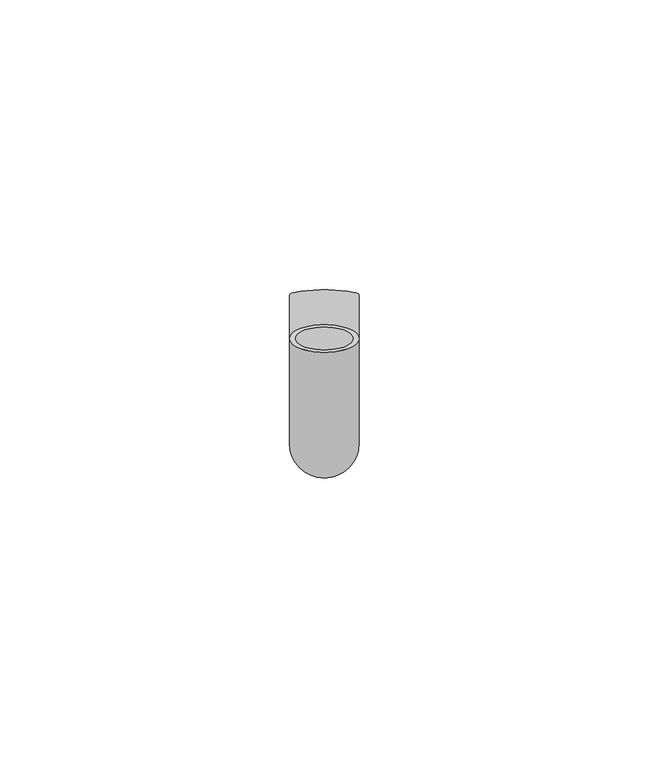
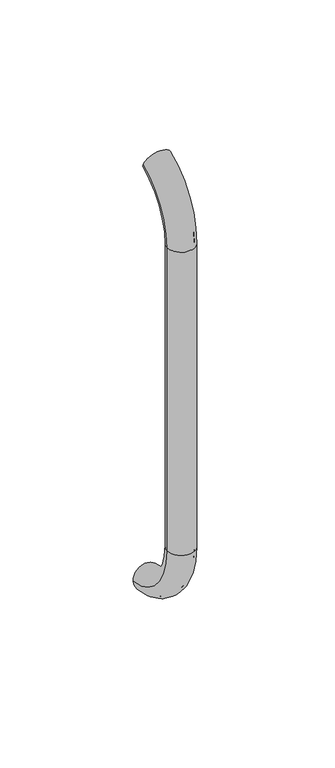
"""IFC4 building model written with IfcOpenShell, lengths in millimetres: beam geometry."""

from ifc_helpers import new_model, si_unit, point, frame, origin, place, context, project, spatial, polyline, circle_curve, ellipse_curve, trimmed, source, transform, mapped, element, save
from ifc_brep_helpers import plane_surface, cylinder_surface, revolved_surface, advanced_brep


def beam_b758dda2(model_context):
    return source(origin(), model_context, "Body", "AdvancedBrep", [
        advanced_brep(
        [(3461.4386176, 2444.0395554, 1993.7787656), (3473.4386176, 2444.0395554, 1993.7787656), (3462.4386176, 2444.0395554, 1993.7787656), (3472.4386176, 2444.0395554, 1993.7787656), (3472.4386176, 2425.9629385, 1966.25), (3462.4386176, 2425.9629385, 1966.25), (3473.4386176, 2425.9629385, 1966.25), (3461.4386176, 2425.9629385, 1966.25), (3462.4386176, 2425.9629385, 1826.25), (3472.4386176, 2425.9629385, 1826.25), (3461.4386176, 2425.9629385, 1826.25), (3473.4386176, 2425.9629385, 1826.25), (3461.4386176, 2451.5825147, 1796.5715249), (3473.4386176, 2451.5825147, 1796.5715249), (3462.4386176, 2451.5825147, 1796.5715249), (3472.4386176, 2451.5825147, 1796.5715249)],
        [
            (0, 1, circle_curve(frame((3467.4386176, 2444.0395554, 1993.7787656), z_axis=(0.0, 0.9176255197351176, 0.3974461039321624), x_axis=(1.0, 0.0, 0.0)), 6.0)),
            (1, 0, circle_curve(frame((3467.4386176, 2444.0395554, 1993.7787656), z_axis=(0.0, 0.9176255197351176, 0.3974461039321624), x_axis=(1.0, 0.0, 0.0)), 6.0)),
            (2, 3, circle_curve(frame((3467.4386176, 2444.0395554, 1993.7787656), z_axis=(0.0, -0.9176255197351176, -0.3974461039321624), x_axis=(1.0, 0.0, 0.0)), 5.0)),
            (3, 2, circle_curve(frame((3467.4386176, 2444.0395554, 1993.7787656), z_axis=(0.0, -0.9176255197351176, -0.3974461039321624), x_axis=(1.0, 0.0, 0.0)), 5.0)),
            (4, 3, circle_curve(frame((3472.4386176, 2455.9629385, 1966.25), z_axis=(-1.0, 0.0, 0.0), x_axis=(0.0, -0.3974461039321624, 0.9176255197351176)), 30.0)),
            (2, 5, circle_curve(frame((3462.4386176, 2455.9629385, 1966.25), z_axis=(1.0, 0.0, 0.0), x_axis=(0.0, -0.3974461039321624, 0.9176255197351176)), 30.0)),
            (5, 4, circle_curve(frame((3467.4386176, 2425.9629385, 1966.25), z_axis=(0.0, 0.0, -0.9999999999999999), x_axis=(1.0, 0.0, 0.0)), 5.0)),
            (4, 5, circle_curve(frame((3467.4386176, 2425.9629385, 1966.25), z_axis=(0.0, 0.0, -0.9999999999999999), x_axis=(1.0, 0.0, 0.0)), 5.0)),
            (6, 1, circle_curve(frame((3473.4386176, 2455.9629385, 1966.25), z_axis=(-1.0, 0.0, 0.0), x_axis=(0.0, -0.3974461039321624, 0.9176255197351176)), 30.0)),
            (0, 7, circle_curve(frame((3461.4386176, 2455.9629385, 1966.25), z_axis=(1.0, 0.0, 0.0), x_axis=(0.0, -0.3974461039321624, 0.9176255197351176)), 30.0)),
            (7, 6, circle_curve(frame((3467.4386176, 2425.9629385, 1966.25), z_axis=(0.0, 0.0, 0.9999999999999999), x_axis=(1.0, 0.0, 0.0)), 6.0)),
            (6, 7, circle_curve(frame((3467.4386176, 2425.9629385, 1966.25), z_axis=(0.0, 0.0, 0.9999999999999999), x_axis=(1.0, 0.0, 0.0)), 6.0)),
            (5, 8),
            (8, 9, circle_curve(frame((3467.4386176, 2425.9629385, 1826.25), z_axis=(0.0, 0.0, -1.0), x_axis=(1.0, 0.0, 0.0)), 5.0)),
            (9, 4),
            (9, 8, circle_curve(frame((3467.4386176, 2425.9629385, 1826.25), z_axis=(0.0, 0.0, -1.0), x_axis=(1.0, 0.0, 0.0)), 5.0)),
            (7, 10),
            (10, 11, circle_curve(frame((3467.4386176, 2425.9629385, 1826.25), z_axis=(0.0, 0.0, 1.0), x_axis=(1.0, 0.0, 0.0)), 6.0)),
            (11, 6),
            (11, 10, circle_curve(frame((3467.4386176, 2425.9629385, 1826.25), z_axis=(0.0, 0.0, 1.0), x_axis=(1.0, 0.0, 0.0)), 6.0)),
            (12, 13, circle_curve(frame((3467.4386176, 2451.5825147, 1796.5715249), z_axis=(0.0, 0.9892825047438852, -0.14601412879466394), x_axis=(1.0, 0.0, 0.0)), 6.0)),
            (13, 12, circle_curve(frame((3467.4386176, 2451.5825147, 1796.5715249), z_axis=(0.0, 0.9892825047438852, -0.14601412879466394), x_axis=(1.0, 0.0, 0.0)), 6.0)),
            (14, 15, circle_curve(frame((3467.4386176, 2451.5825147, 1796.5715249), z_axis=(0.0, -0.9892825047438852, 0.14601412879466394), x_axis=(1.0, 0.0, 0.0)), 5.0)),
            (15, 14, circle_curve(frame((3467.4386176, 2451.5825147, 1796.5715249), z_axis=(0.0, -0.9892825047438852, 0.14601412879466394), x_axis=(1.0, 0.0, 0.0)), 5.0)),
            (15, 9, circle_curve(frame((3472.4386176, 2455.9629385, 1826.25), z_axis=(-1.0, 0.0, 0.0), x_axis=(0.0, -1.0, 0.0)), 30.0)),
            (8, 14, circle_curve(frame((3462.4386176, 2455.9629385, 1826.25), z_axis=(1.0, 0.0, 0.0), x_axis=(0.0, -1.0, 0.0)), 30.0)),
            (13, 11, circle_curve(frame((3473.4386176, 2455.9629385, 1826.25), z_axis=(-1.0, 0.0, 0.0), x_axis=(0.0, -1.0, 0.0)), 30.0)),
            (10, 12, circle_curve(frame((3461.4386176, 2455.9629385, 1826.25), z_axis=(1.0, 0.0, 0.0), x_axis=(0.0, -1.0, 0.0)), 30.0)),
        ],
        [
            plane_surface(frame((3467.4386176, 2444.0395554, 1993.7787656), z_axis=(0.0, 0.9176255197351176, 0.3974461039321624), x_axis=(1.0, 0.0, 0.0))),
            revolved_surface(trimmed(ellipse_curve(frame((3467.4386176, 2444.0395554, 1993.7787656), z_axis=(0.0, -0.9176255197351176, -0.3974461039321624), x_axis=(1.0, 0.0, 0.0)), 5.0, 5.0), [point((3462.4386176, 2444.0395554, 1993.7787656))], [point((3472.4386176, 2444.0395554, 1993.7787656))], True, "CARTESIAN"), (3467.4386176, 2455.9629385, 1966.25), (1.0, 0.0, 0.0)),
            revolved_surface(trimmed(ellipse_curve(frame((3467.4386176, 2444.0395554, 1993.7787656), z_axis=(0.0, -0.9176255197351176, -0.3974461039321624), x_axis=(1.0, 0.0, 0.0)), 5.0, 5.0), [point((3472.4386176, 2444.0395554, 1993.7787656))], [point((3462.4386176, 2444.0395554, 1993.7787656))], True, "CARTESIAN"), (3467.4386176, 2455.9629385, 1966.25), (1.0, 0.0, 0.0)),
            revolved_surface(trimmed(ellipse_curve(frame((3467.4386176, 2444.0395554, 1993.7787656), z_axis=(0.0, 0.9176255197351176, 0.3974461039321624), x_axis=(1.0, 0.0, 0.0)), 6.0, 6.0), [point((3461.4386176, 2444.0395554, 1993.7787656))], [point((3473.4386176, 2444.0395554, 1993.7787656))], True, "CARTESIAN"), (3467.4386176, 2455.9629385, 1966.25), (1.0, 0.0, 0.0)),
            revolved_surface(trimmed(ellipse_curve(frame((3467.4386176, 2444.0395554, 1993.7787656), z_axis=(0.0, 0.9176255197351176, 0.3974461039321624), x_axis=(1.0, 0.0, 0.0)), 6.0, 6.0), [point((3473.4386176, 2444.0395554, 1993.7787656))], [point((3461.4386176, 2444.0395554, 1993.7787656))], True, "CARTESIAN"), (3467.4386176, 2455.9629385, 1966.25), (1.0, 0.0, 0.0)),
            revolved_surface(polyline([(3472.4386176, 2425.9629385, 1826.25), (3472.4386176, 2425.9629385, 1966.25)]), (3467.4386176, 2425.9629385, 1966.25), (0.0, 0.0, -1.0)),
            cylinder_surface(frame((3467.4386176, 2425.9629385, 1966.25), z_axis=(0.0, 0.0, 1.0), x_axis=(1.0, 0.0, 0.0)), 6.0),
            plane_surface(frame((3467.4386176, 2451.5825147, 1796.5715249), z_axis=(0.0, 0.9892825047438852, -0.14601412879466397), x_axis=(1.0, 0.0, 0.0))),
            revolved_surface(trimmed(ellipse_curve(frame((3467.4386176, 2425.9629385, 1826.25), z_axis=(0.0, 0.0, -1.0), x_axis=(1.0, 0.0, 0.0)), 5.0, 5.0), [point((3462.4386176, 2425.9629385, 1826.25))], [point((3472.4386176, 2425.9629385, 1826.25))], True, "CARTESIAN"), (3467.4386176, 2455.9629385, 1826.25), (1.0, 0.0, 0.0)),
            revolved_surface(trimmed(ellipse_curve(frame((3467.4386176, 2425.9629385, 1826.25), z_axis=(0.0, 0.0, -1.0), x_axis=(1.0, 0.0, 0.0)), 5.0, 5.0), [point((3472.4386176, 2425.9629385, 1826.25))], [point((3462.4386176, 2425.9629385, 1826.25))], True, "CARTESIAN"), (3467.4386176, 2455.9629385, 1826.25), (1.0, 0.0, 0.0)),
            revolved_surface(trimmed(ellipse_curve(frame((3467.4386176, 2425.9629385, 1826.25), z_axis=(0.0, 0.0, 1.0), x_axis=(1.0, 0.0, 0.0)), 6.0, 6.0), [point((3461.4386176, 2425.9629385, 1826.25))], [point((3473.4386176, 2425.9629385, 1826.25))], True, "CARTESIAN"), (3467.4386176, 2455.9629385, 1826.25), (1.0, 0.0, 0.0)),
            revolved_surface(trimmed(ellipse_curve(frame((3467.4386176, 2425.9629385, 1826.25), z_axis=(0.0, 0.0, 1.0), x_axis=(1.0, 0.0, 0.0)), 6.0, 6.0), [point((3473.4386176, 2425.9629385, 1826.25))], [point((3461.4386176, 2425.9629385, 1826.25))], True, "CARTESIAN"), (3467.4386176, 2455.9629385, 1826.25), (1.0, 0.0, 0.0)),
        ],
        [
            (0, [[1, 2], [3, 4]]),
            (1, [[5, -3, 6, 7]]),
            (2, [[-6, -4, -5, 8]]),
            (3, [[9, -1, 10, 11]]),
            (4, [[-10, -2, -9, 12]]),
            (5, [[-7, 13, 14, 15]]),
            (5, [[-8, -15, 16, -13]]),
            (6, [[-11, 17, 18, 19]]),
            (6, [[-12, -19, 20, -17]]),
            (7, [[21, 22], [23, 24]]),
            (8, [[25, -14, 26, -24]]),
            (9, [[-26, -16, -25, -23]]),
            (10, [[27, -18, 28, -22]]),
            (11, [[-28, -20, -27, -21]]),
        ],
    ),
    ])


if __name__ == "__main__":
    model = new_model("IFC4")
    model_context = context("Model", 3, world=origin())
    ifc_project = project(units=[si_unit("LENGTHUNIT", "METRE", prefix="MILLI")], contexts=[model_context])
    site = spatial("IfcSite", under=ifc_project)
    building = spatial("IfcBuilding", under=site)
    placement = place(None, origin())
    beam_shape = beam_b758dda2(model_context)
    element("IfcBeam", 1, at=placement, inside=building, context=model_context, shape_type="MappedRepresentation", body=[
        mapped(beam_shape, transform((0.0, 0.0, 0.0), x_axis=(1.0, 0.0, 0.0), y_axis=(0.0, 1.0, 0.0), z_axis=(0.0, 0.0, 1.0))),
    ])
    save(model, "model.ifc")
